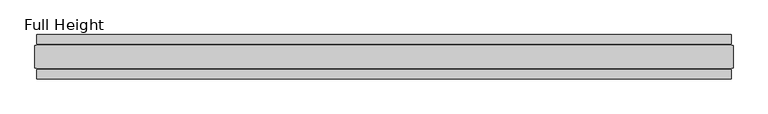
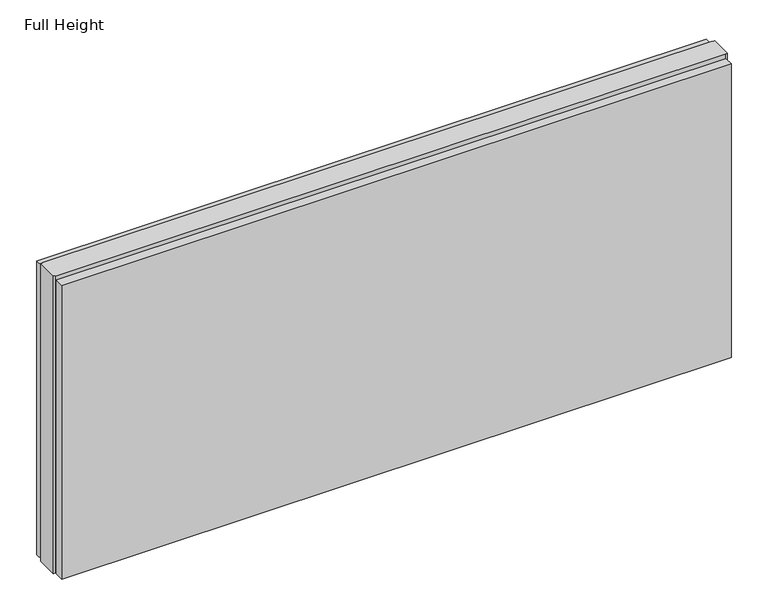
"""IFC4 building model written with IfcOpenShell, lengths in millimetres: plate geometry, Full Height."""

from ifc_helpers import new_model, si_unit, origin, origin_with_axes, place, context, project, spatial, polyline, outline, extrude, source, transform, mapped, element, save


def full_height_7f55379c(model_context):
    return source(origin(), model_context, "Body", "SweptSolid", [
        extrude(outline(polyline([(776.478, 28.956), (-776.478, 28.956), (-776.478, 49.53), (776.478, 49.53), (776.478, 28.956)])), origin_with_axes(), (0.0, 0.0, 1.0), 720.852),
        extrude(outline(polyline([(776.478, -28.956), (776.478, -49.53), (-776.478, -49.53), (-776.478, -28.956), (776.478, -28.956)])), origin_with_axes(), (0.0, 0.0, 1.0), 720.852),
        extrude(outline(polyline([(776.478, -25.146), (776.478, -26.67), (-776.478, -26.67), (-776.478, -25.146), (-781.05, -25.146), (-781.05, 25.146), (-776.478, 25.146), (-776.478, 26.67), (776.478, 26.67), (776.478, 25.146), (781.05, 25.146), (781.05, -25.146), (776.478, -25.146)])), origin_with_axes(), (0.0, 0.0, 1.0), 729.996),
    ])


if __name__ == "__main__":
    model = new_model("IFC4")
    model_context = context("Model", 3, world=origin())
    ifc_project = project(units=[si_unit("LENGTHUNIT", "METRE", prefix="MILLI")], contexts=[model_context])
    site = spatial("IfcSite", under=ifc_project)
    building = spatial("IfcBuilding", under=site)
    placement = place(None, origin())
    full_height_shape = full_height_7f55379c(model_context)
    element("IfcPlate", 1, ObjectType="Full Height", at=placement, inside=building, context=model_context, shape_type="MappedRepresentation", body=[
        mapped(full_height_shape, transform((0.0, 0.0, 0.0), x_axis=(1.0, 0.0, 0.0), y_axis=(0.0, 1.0, 0.0), z_axis=(0.0, 0.0, 1.0))),
    ])
    save(model, "model.ifc")
